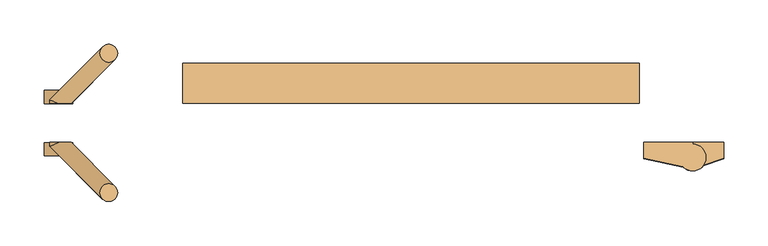
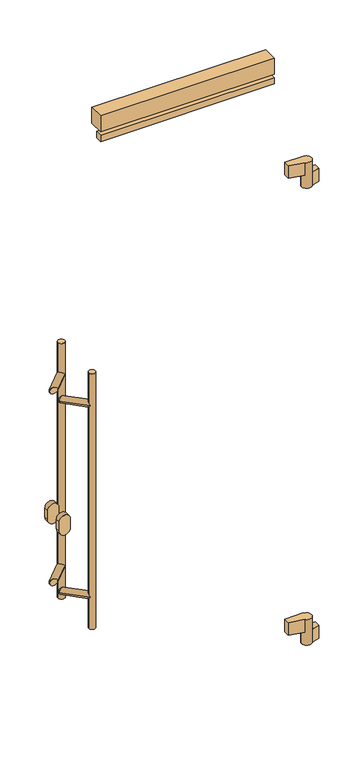
"""IFC4 building model written with IfcOpenShell, lengths in millimetres: door geometry."""

from ifc_helpers import new_model, si_unit, point, frame, frame_2d, origin, place, context, project, spatial, polyline, circle_curve, ellipse_curve, trimmed, segment, composite_curve, outline, extrude, source, transform, mapped, element, save
from ifc_brep_helpers import plane_surface, cylinder_surface, advanced_brep


def door_52cb10bf(model_context):
    return source(origin(), model_context, "Body", "SolidModel", [
        extrude(outline(polyline([(-624.0, 44.0), (-624.0, 89.0), (-109.0, 89.0), (-109.0, 44.0), (-624.0, 44.0)])), frame((0.0, 0.0, 2061.0), z_axis=(0.0, 0.0, 1.0), x_axis=(1.0, 0.0, 0.0)), (0.0, 0.0, 1.0), 50.0),
        extrude(outline(polyline([(-624.0, 44.0), (-624.0, 64.0), (-109.0, 64.0), (-109.0, 44.0), (-624.0, 44.0)])), frame((0.0, 0.0, 2031.0), z_axis=(0.0, 0.0, 1.0), x_axis=(1.0, 0.0, 0.0)), (0.0, 0.0, 1.0), 20.0),
        advanced_brep(
        [(-104.0, 0.0, 380.0), (-104.0, -18.0, 380.0), (-59.5040029, -27.7082175, 380.0), (-34.0, -17.0, 380.0), (-49.0, -2.0, 380.0), (-49.0, 0.0, 380.0), (-64.0, -17.0, 300.0), (-49.0, -2.0, 300.0), (-49.0, 0.0, 300.0), (-14.0, 0.0, 300.0), (-14.0, -18.0, 300.0), (-36.8866516, -25.846852, 300.0), (-34.0, -17.0, 340.0), (-49.0, -2.0, 340.0), (-64.0, -17.0, 340.0), (-49.0, -2.0, 340.0), (-59.5040029, -27.7082175, 340.0), (-36.8866516, -25.846852, 340.0), (-104.0, 0.0, 340.0), (-49.0, 0.0, 340.0), (-104.0, -18.0, 340.0), (-14.0, -18.0, 340.0), (-14.0, 0.0, 340.0)],
        [
            (0, 1),
            (1, 2),
            (2, 3, circle_curve(frame((-49.0, -17.0, 380.0), z_axis=(0.0, 0.0, 1.0), x_axis=(1.0, 0.0, 0.0)), 15.0)),
            (3, 4, circle_curve(frame((-49.0, -17.0, 380.0), z_axis=(0.0, 0.0, 1.0), x_axis=(1.0, 0.0, 0.0)), 15.0)),
            (4, 5),
            (5, 0),
            (6, 7, circle_curve(frame((-49.0, -17.0, 300.0), z_axis=(0.0, 0.0, -1.0), x_axis=(1.0, 0.0, 0.0)), 15.0)),
            (7, 8),
            (8, 9),
            (9, 10),
            (10, 11),
            (11, 6, circle_curve(frame((-49.0, -17.0, 300.0), z_axis=(0.0, 0.0, -1.0), x_axis=(1.0, 0.0, 0.0)), 15.0)),
            (3, 12),
            (12, 13, circle_curve(frame((-49.0, -17.0, 340.0), z_axis=(0.0, 0.0, 1.0), x_axis=(1.0, 0.0, 0.0)), 15.0)),
            (13, 4),
            (14, 15, circle_curve(frame((-49.0, -17.0, 340.0), z_axis=(0.0, 0.0, -1.0), x_axis=(1.0, 0.0, 0.0)), 15.0)),
            (15, 7),
            (6, 14),
            (2, 16),
            (16, 14, circle_curve(frame((-49.0, -17.0, 340.0), z_axis=(0.0, 0.0, -1.0), x_axis=(1.0, 0.0, 0.0)), 15.0)),
            (11, 17),
            (17, 12, circle_curve(frame((-49.0, -17.0, 340.0), z_axis=(0.0, 0.0, 1.0), x_axis=(1.0, 0.0, 0.0)), 15.0)),
            (18, 19),
            (19, 15),
            (16, 20),
            (20, 18),
            (5, 19),
            (18, 0),
            (13, 19),
            (1, 20),
            (17, 21),
            (21, 22),
            (22, 19),
            (19, 8),
            (22, 9),
            (21, 10),
        ],
        [
            plane_surface(frame((-34.0, -17.0, 380.0), z_axis=(0.0, 0.0, 1.0), x_axis=(0.0, -1.0, 0.0))),
            plane_surface(frame((-34.0, -17.0, 300.0), z_axis=(0.0, 0.0, -1.0), x_axis=(0.0, 1.0, 0.0))),
            cylinder_surface(frame((-49.0, -17.0, 300.0), z_axis=(0.0, 0.0, 1.0), x_axis=(1.0, 0.0, 0.0)), 15.0),
            plane_surface(frame((-49.0, 0.0, 340.0), z_axis=(0.0, 0.0, -1.0), x_axis=(-1.0, 0.0, 0.0))),
            plane_surface(frame((-104.0, 0.0, 380.0), z_axis=(0.0, 1.0, 0.0), x_axis=(0.0, 0.0, -1.0))),
            plane_surface(frame((-49.0, 0.0, 380.0), z_axis=(1.0, 0.0, 0.0), x_axis=(0.0, 0.0, -1.0))),
            plane_surface(frame((-49.0, -30.0, 380.0), z_axis=(-0.2131670752167251, -0.9770157614099924, 0.0), x_axis=(0.0, 0.0, -1.0))),
            plane_surface(frame((-104.0, -18.0, 380.0), z_axis=(-1.0, 0.0, 0.0), x_axis=(0.0, 0.0, -1.0))),
            plane_surface(frame((-49.0, 0.0, 340.0), z_axis=(0.0, 0.0, 1.0), x_axis=(0.0, 1.0, 0.0))),
            plane_surface(frame((-49.0, -30.0, 340.0), z_axis=(-1.0, 0.0, 0.0), x_axis=(0.0, 0.0, -1.0))),
            plane_surface(frame((-49.0, 0.0, 340.0), z_axis=(0.0, 1.0, 0.0), x_axis=(0.0, 0.0, -1.0))),
            plane_surface(frame((-14.0, 0.0, 340.0), z_axis=(1.0, 0.0, 0.0), x_axis=(0.0, 0.0, -1.0))),
            plane_surface(frame((-14.0, -18.0, 340.0), z_axis=(0.32432432432432523, -0.9459459459459457, 0.0), x_axis=(0.0, 0.0, -1.0))),
        ],
        [
            (0, [[1, 2, 3, 4, 5, 6]]),
            (1, [[7, 8, 9, 10, 11, 12]]),
            (2, [[13, 14, 15, -4]]),
            (2, [[16, 17, -7, 18]]),
            (2, [[19, 20, -18, -12, 21, 22, -13, -3]]),
            (3, [[23, 24, -16, -20, 25, 26]]),
            (4, [[27, -23, 28, -6]]),
            (5, [[-5, -15, 29, -27]]),
            (6, [[-25, -19, -2, 30]]),
            (7, [[-28, -26, -30, -1]]),
            (8, [[-29, -14, -22, 31, 32, 33]]),
            (9, [[-8, -17, -24, 34]]),
            (10, [[35, -9, -34, -33]]),
            (11, [[36, -10, -35, -32]]),
            (12, [[-31, -21, -11, -36]]),
        ],
    ),
        advanced_brep(
        [(-104.0, 0.0, 1811.0), (-104.0, -18.0, 1811.0), (-59.5040029, -27.7082175, 1811.0), (-34.0, -17.0, 1811.0), (-49.0, -2.0, 1811.0), (-49.0, 0.0, 1811.0), (-64.0, -17.0, 1731.0), (-49.0, -2.0, 1731.0), (-49.0, 0.0, 1731.0), (-14.0, 0.0, 1731.0), (-14.0, -18.0, 1731.0), (-36.8866516, -25.846852, 1731.0), (-34.0, -17.0, 1771.0), (-49.0, -2.0, 1771.0), (-64.0, -17.0, 1771.0), (-49.0, -2.0, 1771.0), (-59.5040029, -27.7082175, 1771.0), (-36.8866516, -25.846852, 1771.0), (-104.0, 0.0, 1771.0), (-49.0, 0.0, 1771.0), (-104.0, -18.0, 1771.0), (-14.0, -18.0, 1771.0), (-14.0, 0.0, 1771.0)],
        [
            (0, 1),
            (1, 2),
            (2, 3, circle_curve(frame((-49.0, -17.0, 1811.0), z_axis=(0.0, 0.0, 1.0), x_axis=(1.0, 0.0, 0.0)), 15.0)),
            (3, 4, circle_curve(frame((-49.0, -17.0, 1811.0), z_axis=(0.0, 0.0, 1.0), x_axis=(1.0, 0.0, 0.0)), 15.0)),
            (4, 5),
            (5, 0),
            (6, 7, circle_curve(frame((-49.0, -17.0, 1731.0), z_axis=(0.0, 0.0, -1.0), x_axis=(1.0, 0.0, 0.0)), 15.0)),
            (7, 8),
            (8, 9),
            (9, 10),
            (10, 11),
            (11, 6, circle_curve(frame((-49.0, -17.0, 1731.0), z_axis=(0.0, 0.0, -1.0), x_axis=(1.0, 0.0, 0.0)), 15.0)),
            (3, 12),
            (12, 13, circle_curve(frame((-49.0, -17.0, 1771.0), z_axis=(0.0, 0.0, 1.0), x_axis=(1.0, 0.0, 0.0)), 15.0)),
            (13, 4),
            (14, 15, circle_curve(frame((-49.0, -17.0, 1771.0), z_axis=(0.0, 0.0, -1.0), x_axis=(1.0, 0.0, 0.0)), 15.0)),
            (15, 7),
            (6, 14),
            (2, 16),
            (16, 14, circle_curve(frame((-49.0, -17.0, 1771.0), z_axis=(0.0, 0.0, -1.0), x_axis=(1.0, 0.0, 0.0)), 15.0)),
            (11, 17),
            (17, 12, circle_curve(frame((-49.0, -17.0, 1771.0), z_axis=(0.0, 0.0, 1.0), x_axis=(1.0, 0.0, 0.0)), 15.0)),
            (18, 19),
            (19, 15),
            (16, 20),
            (20, 18),
            (18, 0),
            (5, 19),
            (13, 19),
            (1, 20),
            (17, 21),
            (21, 22),
            (22, 19),
            (19, 8),
            (22, 9),
            (21, 10),
        ],
        [
            plane_surface(frame((-34.0, -17.0, 1811.0), z_axis=(0.0, 0.0, 1.0), x_axis=(0.0, -1.0, 0.0))),
            plane_surface(frame((-34.0, -17.0, 1731.0), z_axis=(0.0, 0.0, -1.0), x_axis=(0.0, 1.0, 0.0))),
            cylinder_surface(frame((-49.0, -17.0, 1731.0), z_axis=(0.0, 0.0, 1.0), x_axis=(1.0, 0.0, 0.0)), 15.0),
            plane_surface(frame((-49.0, 0.0, 1771.0), z_axis=(0.0, 0.0, -1.0), x_axis=(-1.0, 0.0, 0.0))),
            plane_surface(frame((-104.0, 0.0, 1811.0), z_axis=(0.0, 1.0, 0.0), x_axis=(0.0, 0.0, -1.0))),
            plane_surface(frame((-49.0, 0.0, 1811.0), z_axis=(1.0, 0.0, 0.0), x_axis=(0.0, 0.0, -1.0))),
            plane_surface(frame((-49.0, -30.0, 1811.0), z_axis=(-0.21316707521672565, -0.9770157614099922, 0.0), x_axis=(0.0, 0.0, -1.0))),
            plane_surface(frame((-104.0, -18.0, 1811.0), z_axis=(-1.0, 0.0, 0.0), x_axis=(0.0, 0.0, -1.0))),
            plane_surface(frame((-49.0, 0.0, 1771.0), z_axis=(0.0, 0.0, 1.0), x_axis=(0.0, 1.0, 0.0))),
            plane_surface(frame((-49.0, -30.0, 1771.0), z_axis=(-1.0, 0.0, 0.0), x_axis=(0.0, 0.0, -1.0))),
            plane_surface(frame((-49.0, 0.0, 1771.0), z_axis=(0.0, 1.0, 0.0), x_axis=(0.0, 0.0, -1.0))),
            plane_surface(frame((-14.0, 0.0, 1771.0), z_axis=(1.0, 0.0, 0.0), x_axis=(0.0, 0.0, -1.0))),
            plane_surface(frame((-14.0, -18.0, 1771.0), z_axis=(0.32432432432432523, -0.9459459459459457, 0.0), x_axis=(0.0, 0.0, -1.0))),
        ],
        [
            (0, [[1, 2, 3, 4, 5, 6]]),
            (1, [[7, 8, 9, 10, 11, 12]]),
            (2, [[13, 14, 15, -4]]),
            (2, [[16, 17, -7, 18]]),
            (2, [[19, 20, -18, -12, 21, 22, -13, -3]]),
            (3, [[23, 24, -16, -20, 25, 26]]),
            (4, [[27, -6, 28, -23]]),
            (5, [[-5, -15, 29, -28]]),
            (6, [[-25, -19, -2, 30]]),
            (7, [[-30, -1, -27, -26]]),
            (8, [[-29, -14, -22, 31, 32, 33]]),
            (9, [[-8, -17, -24, 34]]),
            (10, [[-34, -33, 35, -9]]),
            (11, [[-35, -32, 36, -10]]),
            (12, [[-31, -21, -11, -36]]),
        ],
    ),
        advanced_brep(
        [(-717.4314575, -56.5685425, 1400.0), (-697.4314575, -56.5685425, 1400.0), (-717.4314575, -56.5685425, 600.0), (-697.4314575, -56.5685425, 600.0), (-717.4314575, -56.5685425, 692.9289322), (-700.3603897, -49.4974747, 700.0), (-717.4314575, -56.5685425, 707.0710678), (-717.4314575, -56.5685425, 1292.9289322), (-700.3603897, -49.4974747, 1300.0), (-717.4314575, -56.5685425, 1307.0710678), (-714.5025253, -63.6396103, 1300.0), (-714.5025253, -63.6396103, 700.0), (-764.0, 0.0, 710.0), (-774.0, 0.0, 700.0), (-774.0, -4.1421356, 700.0), (-764.0, 0.0, 690.0), (-749.8578644, 0.0, 700.0), (-764.0, 0.0, 1310.0), (-774.0, 0.0, 1300.0), (-774.0, -4.1421356, 1300.0), (-764.0, 0.0, 1290.0), (-749.8578644, 0.0, 1300.0)],
        [
            (0, 1, circle_curve(frame((-707.4314575, -56.5685425, 1400.0), z_axis=(0.0, 0.0, 1.0), x_axis=(1.0, 0.0, 0.0)), 10.0)),
            (1, 0, circle_curve(frame((-707.4314575, -56.5685425, 1400.0), z_axis=(0.0, 0.0, 1.0), x_axis=(1.0, 0.0, 0.0)), 10.0)),
            (2, 3, circle_curve(frame((-707.4314575, -56.5685425, 600.0), z_axis=(0.0, 0.0, -1.0), x_axis=(1.0, 0.0, 0.0)), 10.0)),
            (3, 2, circle_curve(frame((-707.4314575, -56.5685425, 600.0), z_axis=(0.0, 0.0, -1.0), x_axis=(1.0, 0.0, 0.0)), 10.0)),
            (1, 3),
            (2, 4),
            (4, 5, ellipse_curve(frame((-707.4314575, -56.5685425, 700.0), z_axis=(0.5000000000000154, -0.49999999999998673, -0.7071067811865459), x_axis=(0.500000000000011, -0.49999999999998673, 0.7071067811865491)), 14.1421356, 10.0)),
            (5, 6, ellipse_curve(frame((-707.4314575, -56.5685425, 700.0), z_axis=(0.5000000000000111, -0.49999999999998673, 0.707106781186549), x_axis=(-0.5000000000000154, 0.4999999999999866, 0.707106781186546)), 14.1421356, 10.0)),
            (6, 7),
            (7, 8, ellipse_curve(frame((-707.4314575, -56.5685425, 1300.0), z_axis=(0.5000000000000154, -0.49999999999998673, -0.7071067811865459), x_axis=(0.500000000000011, -0.49999999999998673, 0.7071067811865491)), 14.1421356, 10.0)),
            (8, 9, ellipse_curve(frame((-707.4314575, -56.5685425, 1300.0), z_axis=(0.5000000000000111, -0.49999999999998673, 0.707106781186549), x_axis=(-0.5000000000000154, 0.4999999999999866, 0.707106781186546)), 14.1421356, 10.0)),
            (9, 0),
            (9, 10, ellipse_curve(frame((-707.4314575, -56.5685425, 1300.0), z_axis=(0.5000000000000111, -0.49999999999998673, 0.707106781186549), x_axis=(-0.5000000000000154, 0.4999999999999866, 0.707106781186546)), 14.1421356, 10.0)),
            (10, 7, ellipse_curve(frame((-707.4314575, -56.5685425, 1300.0), z_axis=(0.5000000000000154, -0.49999999999998673, -0.7071067811865459), x_axis=(0.500000000000011, -0.49999999999998673, 0.7071067811865491)), 14.1421356, 10.0)),
            (6, 11, ellipse_curve(frame((-707.4314575, -56.5685425, 700.0), z_axis=(0.5000000000000111, -0.49999999999998673, 0.707106781186549), x_axis=(-0.5000000000000154, 0.4999999999999866, 0.707106781186546)), 14.1421356, 10.0)),
            (11, 4, ellipse_curve(frame((-707.4314575, -56.5685425, 700.0), z_axis=(0.5000000000000154, -0.49999999999998673, -0.7071067811865459), x_axis=(0.500000000000011, -0.49999999999998673, 0.7071067811865491)), 14.1421356, 10.0)),
            (12, 13, circle_curve(frame((-764.0, 0.0, 700.0), z_axis=(0.0, -1.0, 0.0), x_axis=(-1.0, 0.0, 0.0)), 10.0)),
            (13, 14),
            (14, 12, ellipse_curve(frame((-764.0, 0.0, 700.0), z_axis=(-0.382683432365102, 0.9238795325112817, 0.0), x_axis=(0.9238795325112816, 0.38268343236510177, 0.0)), 10.823922, 10.0)),
            (13, 15, circle_curve(frame((-764.0, 0.0, 700.0), z_axis=(0.0, -1.0, 0.0), x_axis=(-1.0, 0.0, 0.0)), 10.0)),
            (15, 14, ellipse_curve(frame((-764.0, 0.0, 700.0), z_axis=(-0.382683432365102, 0.9238795325112817, 0.0), x_axis=(0.9238795325112816, 0.38268343236510177, 0.0)), 10.823922, 10.0)),
            (5, 16),
            (16, 12, ellipse_curve(frame((-764.0, 0.0, 700.0), z_axis=(0.0, -1.0, 0.0), x_axis=(-1.0, 0.0, 0.0)), 14.1421356, 10.0)),
            (14, 11),
            (15, 16, ellipse_curve(frame((-764.0, 0.0, 700.0), z_axis=(0.0, -1.0, 0.0), x_axis=(-1.0, 0.0, 0.0)), 14.1421356, 10.0)),
            (17, 18, circle_curve(frame((-764.0, 0.0, 1300.0), z_axis=(0.0, -1.0, 0.0), x_axis=(-1.0, 0.0, 0.0)), 10.0)),
            (18, 19),
            (19, 17, ellipse_curve(frame((-764.0, 0.0, 1300.0), z_axis=(-0.382683432365102, 0.9238795325112817, 0.0), x_axis=(0.9238795325112816, 0.38268343236510177, 0.0)), 10.823922, 10.0)),
            (18, 20, circle_curve(frame((-764.0, 0.0, 1300.0), z_axis=(0.0, -1.0, 0.0), x_axis=(-1.0, 0.0, 0.0)), 10.0)),
            (20, 19, ellipse_curve(frame((-764.0, 0.0, 1300.0), z_axis=(-0.382683432365102, 0.9238795325112817, 0.0), x_axis=(0.9238795325112816, 0.38268343236510177, 0.0)), 10.823922, 10.0)),
            (8, 21),
            (21, 17, ellipse_curve(frame((-764.0, 0.0, 1300.0), z_axis=(0.0, -1.0, 0.0), x_axis=(-1.0, 0.0, 0.0)), 14.1421356, 10.0)),
            (19, 10),
            (20, 21, ellipse_curve(frame((-764.0, 0.0, 1300.0), z_axis=(0.0, -1.0, 0.0), x_axis=(-1.0, 0.0, 0.0)), 14.1421356, 10.0)),
        ],
        [
            plane_surface(frame((-697.4314575, -56.5685425, 1400.0), z_axis=(0.0, 0.0, 1.0), x_axis=(0.0, -1.0, 0.0))),
            plane_surface(frame((-697.4314575, -56.5685425, 600.0), z_axis=(0.0, 0.0, -1.0), x_axis=(0.0, 1.0, 0.0))),
            cylinder_surface(frame((-707.4314575, -56.5685425, 600.0), z_axis=(0.0, 0.0, 1.0), x_axis=(1.0, 0.0, 0.0)), 10.0),
            cylinder_surface(frame((-764.0, 44.0, 700.0), z_axis=(0.0, 1.0, 0.0), x_axis=(-1.0, 0.0, 0.0)), 10.0),
            cylinder_surface(frame((-764.0, 0.0, 700.0), z_axis=(-0.7071067811865663, 0.7071067811865288, 0.0), x_axis=(-0.7071067811865288, -0.7071067811865663, 0.0)), 10.0),
            cylinder_surface(frame((-764.0, 44.0, 1300.0), z_axis=(0.0, 1.0, 0.0), x_axis=(-1.0, 0.0, 0.0)), 10.0),
            cylinder_surface(frame((-764.0, 0.0, 1300.0), z_axis=(-0.7071067811865663, 0.7071067811865288, 0.0), x_axis=(-0.7071067811865288, -0.7071067811865663, 0.0)), 10.0),
            plane_surface(frame((-794.0, 0.0, 650.0), z_axis=(0.0, 1.0, 0.0), x_axis=(0.0, 0.0, 1.0))),
        ],
        [
            (0, [[1, 2]]),
            (1, [[3, 4]]),
            (2, [[5, -3, 6, 7, 8, 9, 10, 11, 12, -2]]),
            (2, [[-12, 13, 14, -9, 15, 16, -6, -4, -5, -1]]),
            (3, [[17, 18, 19]]),
            (3, [[20, 21, -18]]),
            (4, [[-15, -8, 22, 23, -19, 24]]),
            (4, [[-21, 25, -22, -7, -16, -24]]),
            (5, [[26, 27, 28]]),
            (5, [[29, 30, -27]]),
            (6, [[-13, -11, 31, 32, -28, 33]]),
            (6, [[-30, 34, -31, -10, -14, -33]]),
            (7, [[-23, -25, -20, -17]]),
            (7, [[-32, -34, -29, -26]]),
        ],
    ),
        advanced_brep(
        [(-717.4314575, 100.5685425, 1400.0), (-697.4314575, 100.5685425, 1400.0), (-717.4314575, 100.5685425, 600.0), (-697.4314575, 100.5685425, 600.0), (-717.4314575, 100.5685425, 692.9289322), (-714.5025253, 107.6396103, 700.0), (-717.4314575, 100.5685425, 707.0710678), (-717.4314575, 100.5685425, 1292.9289322), (-714.5025253, 107.6396103, 1300.0), (-717.4314575, 100.5685425, 1307.0710678), (-700.3603897, 93.4974747, 1300.0), (-700.3603897, 93.4974747, 700.0), (-774.0, 48.1421356, 700.0), (-764.0, 44.0, 710.0), (-749.8578644, 44.0, 700.0), (-764.0, 44.0, 690.0), (-774.0, 44.0, 700.0), (-774.0, 48.1421356, 1300.0), (-764.0, 44.0, 1310.0), (-749.8578644, 44.0, 1300.0), (-764.0, 44.0, 1290.0), (-774.0, 44.0, 1300.0)],
        [
            (0, 1, circle_curve(frame((-707.4314575, 100.5685425, 1400.0), z_axis=(0.0, 0.0, 1.0), x_axis=(1.0, 0.0, 0.0)), 10.0)),
            (1, 0, circle_curve(frame((-707.4314575, 100.5685425, 1400.0), z_axis=(0.0, 0.0, 1.0), x_axis=(1.0, 0.0, 0.0)), 10.0)),
            (2, 3, circle_curve(frame((-707.4314575, 100.5685425, 600.0), z_axis=(0.0, 0.0, -1.0), x_axis=(1.0, 0.0, 0.0)), 10.0)),
            (3, 2, circle_curve(frame((-707.4314575, 100.5685425, 600.0), z_axis=(0.0, 0.0, -1.0), x_axis=(1.0, 0.0, 0.0)), 10.0)),
            (1, 3),
            (2, 4),
            (4, 5, ellipse_curve(frame((-707.4314575, 100.5685425, 700.0), z_axis=(0.49999999999996964, 0.5000000000000321, -0.7071067811865464), x_axis=(0.4999999999999657, 0.5000000000000326, 0.7071067811865487)), 14.1421356, 10.0)),
            (5, 6, ellipse_curve(frame((-707.4314575, 100.5685425, 700.0), z_axis=(0.49999999999996575, 0.5000000000000326, 0.7071067811865487), x_axis=(-0.49999999999996964, -0.500000000000032, 0.7071067811865462)), 14.1421356, 10.0)),
            (6, 7),
            (7, 8, ellipse_curve(frame((-707.4314575, 100.5685425, 1300.0), z_axis=(0.49999999999996964, 0.5000000000000321, -0.7071067811865464), x_axis=(0.4999999999999657, 0.5000000000000326, 0.7071067811865487)), 14.1421356, 10.0)),
            (8, 9, ellipse_curve(frame((-707.4314575, 100.5685425, 1300.0), z_axis=(0.49999999999996575, 0.5000000000000326, 0.7071067811865487), x_axis=(-0.49999999999996964, -0.500000000000032, 0.7071067811865462)), 14.1421356, 10.0)),
            (9, 0),
            (9, 10, ellipse_curve(frame((-707.4314575, 100.5685425, 1300.0), z_axis=(0.49999999999996575, 0.5000000000000326, 0.7071067811865487), x_axis=(-0.49999999999996964, -0.500000000000032, 0.7071067811865462)), 14.1421356, 10.0)),
            (10, 7, ellipse_curve(frame((-707.4314575, 100.5685425, 1300.0), z_axis=(0.49999999999996964, 0.5000000000000321, -0.7071067811865464), x_axis=(0.4999999999999657, 0.5000000000000326, 0.7071067811865487)), 14.1421356, 10.0)),
            (6, 11, ellipse_curve(frame((-707.4314575, 100.5685425, 700.0), z_axis=(0.49999999999996575, 0.5000000000000326, 0.7071067811865487), x_axis=(-0.49999999999996964, -0.500000000000032, 0.7071067811865462)), 14.1421356, 10.0)),
            (11, 4, ellipse_curve(frame((-707.4314575, 100.5685425, 700.0), z_axis=(0.49999999999996964, 0.5000000000000321, -0.7071067811865464), x_axis=(0.4999999999999657, 0.5000000000000326, 0.7071067811865487)), 14.1421356, 10.0)),
            (12, 13, ellipse_curve(frame((-764.0, 44.0, 700.0), z_axis=(0.3826834323650601, 0.9238795325112992, 0.0), x_axis=(0.9238795325112987, -0.38268343236506064, 0.0)), 10.823922, 10.0)),
            (13, 14, ellipse_curve(frame((-764.0, 44.0, 700.0), z_axis=(0.0, 1.0, 0.0), x_axis=(1.0, 0.0, 0.0)), 14.1421356, 10.0)),
            (14, 11),
            (5, 12),
            (14, 15, ellipse_curve(frame((-764.0, 44.0, 700.0), z_axis=(0.0, 1.0, 0.0), x_axis=(1.0, 0.0, 0.0)), 14.1421356, 10.0)),
            (15, 12, ellipse_curve(frame((-764.0, 44.0, 700.0), z_axis=(0.3826834323650601, 0.9238795325112992, 0.0), x_axis=(0.9238795325112987, -0.38268343236506064, 0.0)), 10.823922, 10.0)),
            (12, 16),
            (16, 13, circle_curve(frame((-764.0, 44.0, 700.0), z_axis=(0.0, 1.0, 0.0), x_axis=(-1.0, 0.0, 0.0)), 10.0)),
            (15, 16, circle_curve(frame((-764.0, 44.0, 700.0), z_axis=(0.0, 1.0, 0.0), x_axis=(-1.0, 0.0, 0.0)), 10.0)),
            (17, 18, ellipse_curve(frame((-764.0, 44.0, 1300.0), z_axis=(0.3826834323650601, 0.9238795325112992, 0.0), x_axis=(0.9238795325112987, -0.38268343236506064, 0.0)), 10.823922, 10.0)),
            (18, 19, ellipse_curve(frame((-764.0, 44.0, 1300.0), z_axis=(0.0, 1.0, 0.0), x_axis=(1.0, 0.0, 0.0)), 14.1421356, 10.0)),
            (19, 10),
            (8, 17),
            (19, 20, ellipse_curve(frame((-764.0, 44.0, 1300.0), z_axis=(0.0, 1.0, 0.0), x_axis=(1.0, 0.0, 0.0)), 14.1421356, 10.0)),
            (20, 17, ellipse_curve(frame((-764.0, 44.0, 1300.0), z_axis=(0.3826834323650601, 0.9238795325112992, 0.0), x_axis=(0.9238795325112987, -0.38268343236506064, 0.0)), 10.823922, 10.0)),
            (17, 21),
            (21, 18, circle_curve(frame((-764.0, 44.0, 1300.0), z_axis=(0.0, 1.0, 0.0), x_axis=(-1.0, 0.0, 0.0)), 10.0)),
            (20, 21, circle_curve(frame((-764.0, 44.0, 1300.0), z_axis=(0.0, 1.0, 0.0), x_axis=(-1.0, 0.0, 0.0)), 10.0)),
        ],
        [
            plane_surface(frame((-697.4314575, -56.5685425, 1400.0), z_axis=(0.0, 0.0, 1.0), x_axis=(0.0, -1.0, 0.0))),
            plane_surface(frame((-697.4314575, -56.5685425, 600.0), z_axis=(0.0, 0.0, -1.0), x_axis=(0.0, 1.0, 0.0))),
            cylinder_surface(frame((-707.4314575, 100.5685425, 1000.0), z_axis=(0.0, 0.0, 1.0), x_axis=(1.0, 0.0, 0.0)), 10.0),
            cylinder_surface(frame((-707.4314575, 100.5685425, 700.0), z_axis=(0.7071067811865018, 0.7071067811865933, 0.0), x_axis=(-0.7071067811865933, 0.7071067811865018, 0.0)), 10.0),
            cylinder_surface(frame((-764.0, 44.0, 700.0), z_axis=(0.0, 1.0, 0.0), x_axis=(-1.0, 0.0, 0.0)), 10.0),
            cylinder_surface(frame((-707.4314575, 100.5685425, 1300.0), z_axis=(0.7071067811865018, 0.7071067811865933, 0.0), x_axis=(-0.7071067811865933, 0.7071067811865018, 0.0)), 10.0),
            cylinder_surface(frame((-764.0, 44.0, 1300.0), z_axis=(0.0, 1.0, 0.0), x_axis=(-1.0, 0.0, 0.0)), 10.0),
            plane_surface(frame((-734.0, 44.0, 650.0), z_axis=(0.0, -1.0, 0.0), x_axis=(0.0, 0.0, 1.0))),
        ],
        [
            (0, [[1, 2]]),
            (1, [[3, 4]]),
            (2, [[5, -3, 6, 7, 8, 9, 10, 11, 12, -2]]),
            (2, [[-12, 13, 14, -9, 15, 16, -6, -4, -5, -1]]),
            (3, [[17, 18, 19, -15, -8, 20]]),
            (3, [[-7, -16, -19, 21, 22, -20]]),
            (4, [[23, 24, -17]]),
            (4, [[25, -23, -22]]),
            (5, [[26, 27, 28, -13, -11, 29]]),
            (5, [[-10, -14, -28, 30, 31, -29]]),
            (6, [[32, 33, -26]]),
            (6, [[34, -32, -31]]),
            (7, [[-24, -25, -21, -18]]),
            (7, [[-33, -34, -30, -27]]),
        ],
    ),
        extrude(outline(composite_curve([segment(polyline([(930.0, -780.0), (900.0, -780.0)]), True, "CONTINUOUS"), segment(trimmed(circle_curve(frame_2d((900.0, -764.0)), 16.0), [point((900.0, -780.0))], [point((900.0, -748.0))], False, "CARTESIAN"), True, "CONTINUOUS"), segment(polyline([(900.0, -748.0), (930.0, -748.0)]), True, "CONTINUOUS"), segment(trimmed(circle_curve(frame_2d((930.0, -764.0)), 16.0), [point((930.0, -748.0))], [point((930.0, -780.0))], False, "CARTESIAN"), True, "CONTINUOUS")], self_intersect=False)), frame((0.0, -15.0, 0.0), z_axis=(0.0, 1.0, 0.0), x_axis=(0.0, 0.0, 1.0)), (0.0, 0.0, 1.0), 15.0),
        extrude(outline(composite_curve([segment(polyline([(900.0, -748.0), (930.0, -748.0)]), True, "CONTINUOUS"), segment(trimmed(circle_curve(frame_2d((930.0, -764.0)), 16.0), [point((930.0, -748.0))], [point((930.0, -780.0))], False, "CARTESIAN"), True, "CONTINUOUS"), segment(polyline([(930.0, -780.0), (900.0, -780.0)]), True, "CONTINUOUS"), segment(trimmed(circle_curve(frame_2d((900.0, -764.0)), 16.0), [point((900.0, -780.0))], [point((900.0, -748.0))], False, "CARTESIAN"), True, "CONTINUOUS")], self_intersect=False)), frame((0.0, 44.0, 0.0), z_axis=(0.0, 1.0, 0.0), x_axis=(0.0, 0.0, 1.0)), (0.0, 0.0, 1.0), 15.0),
    ])


if __name__ == "__main__":
    model = new_model("IFC4")
    model_context = context("Model", 3, world=origin())
    ifc_project = project(units=[si_unit("LENGTHUNIT", "METRE", prefix="MILLI")], contexts=[model_context])
    site = spatial("IfcSite", under=ifc_project)
    building = spatial("IfcBuilding", under=site)
    placement = place(None, origin())
    door_shape = door_52cb10bf(model_context)
    element("IfcDoor", 1, at=placement, inside=building, context=model_context, shape_type="MappedRepresentation", body=[
        mapped(door_shape, transform((0.0, 0.0, 0.0), x_axis=(1.0, 0.0, 0.0), y_axis=(0.0, 1.0, 0.0), z_axis=(0.0, 0.0, 1.0))),
    ])
    save(model, "model.ifc")
